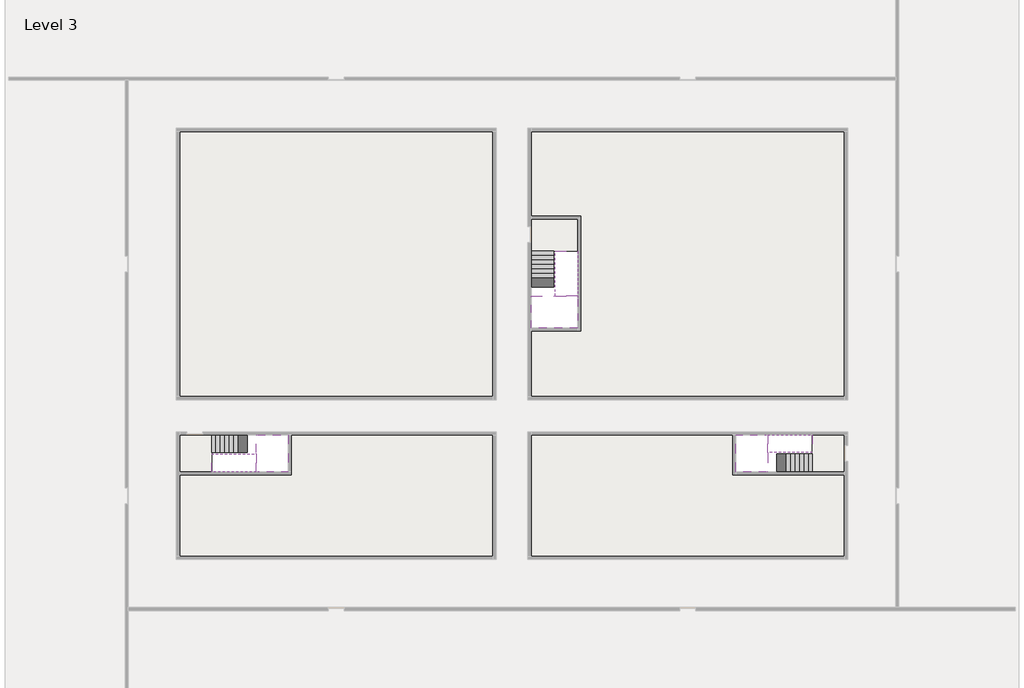
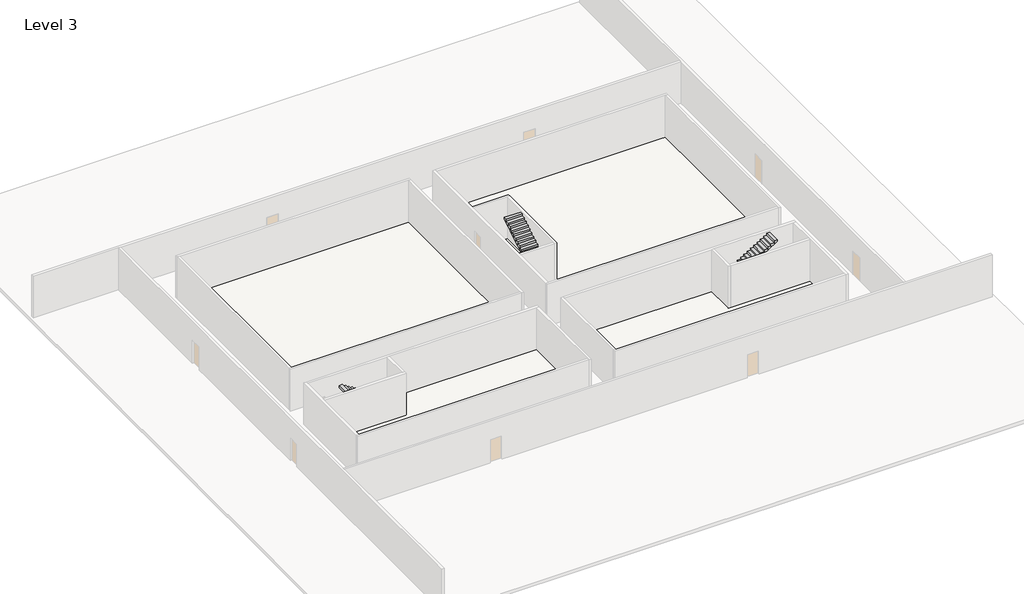
# One storey, part 2 of 2: 6 stair flights, 5 slabs.
"""IFC4 building model written with IfcOpenShell, lengths in millimetres."""

import ifcopenshell
import ifcopenshell.guid

model = None  # the IFC model being written
_history = None  # IfcOwnerHistory: only IFC2X3 demands one
_inside = {}  # id of a spatial element -> (the spatial element, [elements in it])
_under = {}  # id of a project, library or spatial element -> (it, [spatial elements below it])
_declared = {}  # id of a project -> (the project, [libraries it declares])
_typed = {}  # id of a type object -> (the type object, [elements of that type])
_made_of = {}  # id of a material, layer set ... -> (it, [elements and type objects made of it])


def new_model(schema):
    """Start an empty IFC model of exactly this schema.

    Asked for "IFC4X3", IfcOpenShell would pick the latest addendum, in which some entities
    have other attributes; the version numbers below select the first issue.
    IFC2X3 requires an IfcOwnerHistory on every rooted entity: one is made here for all.
    """
    global model, _history
    if schema == "IFC4X3":
        model = ifcopenshell.file(schema_version=(4, 3, 0, 0))
    else:
        model = ifcopenshell.file(schema=schema)
    _inside.clear()
    _under.clear()
    _declared.clear()
    _typed.clear()
    _made_of.clear()
    _history = None
    if model.schema == "IFC2X3":
        org = make("IfcOrganization", Name="unknown")
        user = make(
            "IfcPersonAndOrganization",
            ThePerson=make("IfcPerson", FamilyName="unknown"),
            TheOrganization=org,
        )
        app = make(
            "IfcApplication",
            ApplicationDeveloper=org,
            Version="unknown",
            ApplicationFullName="unknown",
            ApplicationIdentifier="unknown",
        )
        _history = make(
            "IfcOwnerHistory",
            OwningUser=user,
            OwningApplication=app,
            ChangeAction="ADDED",
            CreationDate=0,
        )
    return model


def make(cls, **values):
    """One entity of the class cls with the attributes given. An attribute that is None is left unset."""
    return model.create_entity(
        cls, **{name: value for name, value in values.items() if value is not None}
    )


def rooted(cls, **values):
    """An entity with a GlobalId (a new one), such as an element, a storey or a relation."""
    return make(cls, GlobalId=ifcopenshell.guid.new(), OwnerHistory=_history, **values)


def si_unit(unit_type, name, prefix=None):
    """IfcSIUnit, for example si_unit("LENGTHUNIT", "METRE", prefix="MILLI")."""
    return make("IfcSIUnit", UnitType=unit_type, Prefix=prefix, Name=name)


def assignment(units):
    """IfcUnitAssignment: the units of a project."""
    return None if units is None else make("IfcUnitAssignment", Units=units)


def point(xyz):
    """IfcCartesianPoint."""
    return None if xyz is None else make("IfcCartesianPoint", Coordinates=xyz)


def direction(xyz):
    """IfcDirection."""
    return None if xyz is None else make("IfcDirection", DirectionRatios=xyz)


def frame(location, z_axis=None, x_axis=None):
    """IfcAxis2Placement3D, a coordinate frame: its origin and axes. An axis left out is left unset."""
    return make(
        "IfcAxis2Placement3D",
        Location=point(location),
        Axis=direction(z_axis),
        RefDirection=direction(x_axis),
    )


def origin():
    """The frame at (0, 0, 0) with its axes left unset."""
    return frame((0.0, 0.0, 0.0))


def place(relative_to, where):
    """IfcLocalPlacement: puts the frame where relative to a parent placement (None: the world)."""
    return make(
        "IfcLocalPlacement", PlacementRelTo=relative_to, RelativePlacement=where
    )


def context(
    kind, dimensions, precision=None, world=None, true_north=None, identifier=None
):
    """IfcGeometricRepresentationContext, for example the 3D "Model" context."""
    return make(
        "IfcGeometricRepresentationContext",
        ContextIdentifier=identifier,
        ContextType=kind,
        CoordinateSpaceDimension=dimensions,
        Precision=precision,
        WorldCoordinateSystem=world,
        TrueNorth=true_north,
    )


def project(units=None, contexts=None):
    """IfcProject with its units and contexts."""
    return rooted(
        "IfcProject",
        Name="project",
        RepresentationContexts=contexts,
        UnitsInContext=assignment(units),
    )


def spatial(cls, under=None, at=None, **own):
    """A site, building, storey or space (cls), placed at a placement, below another one or the project."""
    s = rooted(cls, ObjectPlacement=at, **own)
    if under is not None:
        _under.setdefault(under.id(), (under, []))[1].append(s)
    return s


def polyline(points):
    """IfcPolyline through the points."""
    return make("IfcPolyline", Points=[point(p) for p in points])


def outline(outer, holes=None, kind="AREA"):
    """IfcArbitraryClosedProfileDef: a profile drawn as a closed curve; with holes, ...WithVoids."""
    if holes is None:
        return make("IfcArbitraryClosedProfileDef", ProfileType=kind, OuterCurve=outer)
    return make(
        "IfcArbitraryProfileDefWithVoids",
        ProfileType=kind,
        OuterCurve=outer,
        InnerCurves=holes,
    )


def extrude(swept, where, along, depth):
    """IfcExtrudedAreaSolid: the profile swept, set in the frame where, extruded along a direction by depth."""
    return make(
        "IfcExtrudedAreaSolid",
        SweptArea=swept,
        Position=where,
        ExtrudedDirection=direction(along),
        Depth=depth,
    )


def faces_of(points, faces, orient=None, outer=None):
    """IfcFace entities. A face is a list of loops; a loop is a list of indices into points, from 0.

    orient and outer hold one flag for each loop. By default every Orientation is true, the
    first loop of a face is its IfcFaceOuterBound and the others are IfcFaceBound.
    """
    made = []
    for i, loops in enumerate(faces):
        bounds = []
        for j, loop in enumerate(loops):
            is_outer = j == 0 if outer is None else outer[i][j]
            bounds.append(
                make(
                    "IfcFaceOuterBound" if is_outer else "IfcFaceBound",
                    Bound=make("IfcPolyLoop", Polygon=[points[k] for k in loop]),
                    Orientation=True if orient is None else orient[i][j],
                )
            )
        made.append(make("IfcFace", Bounds=bounds))
    return made


def faceted_brep(points, faces, orient=None, outer=None, voids=None):
    """IfcFacetedBrep: a solid bounded by flat faces; with voids (closed shells), ...WithVoids."""
    shared = [point(p) for p in points]
    hull = make("IfcClosedShell", CfsFaces=faces_of(shared, faces, orient, outer))
    if voids is None:
        return make("IfcFacetedBrep", Outer=hull)
    return make(
        "IfcFacetedBrepWithVoids",
        Outer=hull,
        Voids=[
            make(cls, CfsFaces=faces_of(shared, fs, o, b)) for cls, fs, o, b in voids
        ],
    )


def shape(context_of_items, identifier, shape_type, items):
    """IfcShapeRepresentation: the items that make up one representation, for example the "Body"."""
    return make(
        "IfcShapeRepresentation",
        ContextOfItems=context_of_items,
        RepresentationIdentifier=identifier,
        RepresentationType=shape_type,
        Items=items,
    )


def made_of(thing, what):
    """Note that an element or type object is made of a material, layer set ...; save() writes the relation."""
    if what is not None:
        _made_of.setdefault(what.id(), (what, []))[1].append(thing)
    return thing


def element(
    cls,
    number,
    at=None,
    inside=None,
    cuts=None,
    type_object=None,
    material=None,
    context=None,
    identifier="Body",
    shape_type=None,
    held_by="IfcProductDefinitionShape",
    body=None,
    shapes=None,
    **own,
):
    """One element of the class cls, such as IfcWall. Its Tag is "e" and its number.

    at: its placement. inside: the storey or other place that contains it. cuts: it is an
    opening in that element (IfcRelVoidsElement). A single representation is given by context,
    identifier, shape_type and body (its items); several are given by shapes. held_by: the class
    of the entity that holds the representations. save() writes the other relations.
    """
    e = rooted(cls, Tag="e%d" % number, ObjectPlacement=at, **own)
    if body is not None:
        shapes = [shape(context, identifier, shape_type, body)]
    if shapes is not None:
        e.Representation = make(held_by, Representations=shapes)
    if inside is not None:
        _inside.setdefault(inside.id(), (inside, []))[1].append(e)
    if cuts is not None:
        rooted(
            "IfcRelVoidsElement", RelatingBuildingElement=cuts, RelatedOpeningElement=e
        )
    if type_object is not None:
        _typed.setdefault(type_object.id(), (type_object, []))[1].append(e)
    return made_of(e, material)


def aggregate(whole, parts):
    """IfcRelAggregates: a whole, such as a stair, and the parts it consists of."""
    return rooted("IfcRelAggregates", RelatingObject=whole, RelatedObjects=parts)


def save(model, path):
    """Write the relations noted so far, then the file.

    IfcRelAggregates (storeys below a building ...), IfcRelContainedInSpatialStructure (elements
    in a storey), IfcRelDefinesByType, IfcRelAssociatesMaterial and IfcRelDeclares: one each for
    every whole, place, type object, material and project.
    """
    for whole, parts in _under.values():
        aggregate(whole, parts)
    for where, things in _inside.values():
        rooted(
            "IfcRelContainedInSpatialStructure",
            RelatedElements=things,
            RelatingStructure=where,
        )
    for kind, things in _typed.values():
        rooted("IfcRelDefinesByType", RelatedObjects=things, RelatingType=kind)
    for what, things in _made_of.values():
        rooted("IfcRelAssociatesMaterial", RelatedObjects=things, RelatingMaterial=what)
    for by, libraries in _declared.values():
        rooted("IfcRelDeclares", RelatingContext=by, RelatedDefinitions=libraries)
    model.write(path)


model = new_model("IFC4")

# Units and contexts
model_context = context("Model", 3, world=origin())
ifc_project = project(units=[si_unit("LENGTHUNIT", "METRE", prefix="MILLI")], contexts=[model_context])

# Site, building, storey
site = spatial("IfcSite", under=ifc_project)
building = spatial("IfcBuilding", under=site)
storey = spatial("IfcBuildingStorey", under=building, Name="Level 3", Elevation=7600.0)

# Slabs
placement = place(None, origin())
element("IfcSlab", 1, at=placement, inside=storey, context=model_context, shape_type="Brep", body=[
    faceted_brep([(8190.1058784, -42918.09644, 9500.0), (8190.1058784, -44018.09644, 9500.0), (8190.1058784, -44118.09644, 9500.0), (8190.1058784, -45218.09644, 9500.0), (8390.7194421, -45218.09644, 9500.0), (10190.1058784, -45218.09644, 9500.0), (10190.1058784, -42918.09644, 9500.0), (8269.4923146, -42918.09644, 9500.0), (8190.1058784, -42918.09644, 9327.2727273), (8190.1058784, -42918.09644, 9151.0278478), (8190.1058784, -44018.09644, 9151.0278478), (8190.1058784, -44018.09644, 9200.0), (8190.1058784, -44118.09644, 9200.0), (8190.1058784, -44118.09644, 9323.7551205), (8190.1058784, -45218.09644, 9323.7551205), (8390.7194421, -45218.09644, 9200.0), (10190.1058784, -45218.09644, 9200.0), (10190.1058784, -42918.09644, 9200.0), (8269.4923146, -42918.09644, 9200.0), (8390.7194421, -44118.09644, 9200.0), (8269.4923146, -44018.09644, 9200.0)], [[[0, 1, 2, 3, 4, 5, 6, 7]], [[1, 0, 8, 9, 10, 11]], [[2, 1, 11, 12, 13]], [[3, 2, 13, 14]], [[3, 14, 15, 16, 5, 4]], [[6, 5, 16, 17]], [[9, 8, 0, 7, 6, 17, 18]], [[19, 12, 11, 20, 18, 17, 16, 15]], [[12, 19, 13]], [[18, 20, 10, 9]], [[20, 11, 10]], [[19, 15, 14, 13]]]),
])
element("IfcSlab", 2, at=placement, inside=storey, context=model_context, shape_type="Brep", body=[
    faceted_brep([(40190.1058784, -45218.09644, 9500.0), (40190.1058784, -44118.09644, 9500.0), (40190.1058784, -44018.09644, 9500.0), (40190.1058784, -42918.09644, 9500.0), (39989.4923146, -42918.09644, 9500.0), (38190.1058784, -42918.09644, 9500.0), (38190.1058784, -45218.09644, 9500.0), (40110.7194421, -45218.09644, 9500.0), (40190.1058784, -45218.09644, 9327.2727273), (40190.1058784, -45218.09644, 9151.0278478), (40190.1058784, -44118.09644, 9151.0278478), (40190.1058784, -44118.09644, 9200.0), (40190.1058784, -44018.09644, 9200.0), (40190.1058784, -44018.09644, 9323.7551205), (40190.1058784, -42918.09644, 9323.7551205), (39989.4923146, -42918.09644, 9200.0), (38190.1058784, -42918.09644, 9200.0), (38190.1058784, -45218.09644, 9200.0), (40110.7194421, -45218.09644, 9200.0), (39989.4923146, -44018.09644, 9200.0), (40110.7194421, -44118.09644, 9200.0)], [[[0, 1, 2, 3, 4, 5, 6, 7]], [[1, 0, 8, 9, 10, 11]], [[2, 1, 11, 12, 13]], [[3, 2, 13, 14]], [[3, 14, 15, 16, 5, 4]], [[6, 5, 16, 17]], [[9, 8, 0, 7, 6, 17, 18]], [[19, 12, 11, 20, 18, 17, 16, 15]], [[12, 19, 13]], [[18, 20, 10, 9]], [[20, 11, 10]], [[19, 15, 14, 13]]]),
])
element("IfcSlab", 3, at=placement, inside=storey, context=model_context, shape_type="Brep", body=[
    faceted_brep([(26790.1058784, -34218.09644, 9500.0), (25390.1058784, -34218.09644, 9500.0), (25390.1058784, -34297.4828763, 9500.0), (25390.1058784, -36218.09644, 9500.0), (28290.1058784, -36218.09644, 9500.0), (28290.1058784, -34418.7100038, 9500.0), (28290.1058784, -34218.09644, 9500.0), (26890.1058784, -34218.09644, 9500.0), (26790.1058784, -34218.09644, 9200.0), (26790.1058784, -34218.09644, 9151.0278478), (25390.1058784, -34218.09644, 9151.0278478), (25390.1058784, -34218.09644, 9327.2727273), (25390.1058784, -34297.4828763, 9200.0), (25390.1058784, -36218.09644, 9200.0), (28290.1058784, -36218.09644, 9200.0), (28290.1058784, -34418.7100038, 9200.0), (28290.1058784, -34218.09644, 9323.7551205), (26890.1058784, -34218.09644, 9323.7551205), (26890.1058784, -34218.09644, 9200.0), (26890.1058784, -34418.7100038, 9200.0), (26790.1058784, -34297.4828763, 9200.0)], [[[0, 1, 2, 3, 4, 5, 6, 7]], [[1, 0, 8, 9, 10, 11]], [[1, 11, 10, 12, 13, 3, 2]], [[4, 3, 13, 14]], [[4, 14, 15, 16, 6, 5]], [[7, 6, 16, 17]], [[0, 7, 17, 18, 8]], [[18, 19, 15, 14, 13, 12, 20, 8]], [[19, 18, 17]], [[20, 12, 10, 9]], [[8, 20, 9]], [[15, 19, 17, 16]]]),
])
element("IfcSlab", 4, at=placement, inside=storey, context=model_context, shape_type="SweptSolid", body=[
    extrude(outline(polyline([(22990.1058784, -23918.09644), (22990.1058784, -40518.09644), (3390.1058784, -40518.09644), (3390.1058784, -23918.09644), (22990.1058784, -23918.09644)])), frame((0.0, 0.0, 7300.0), z_axis=(0.0, 0.0, 1.0), x_axis=(1.0, 0.0, 0.0)), (0.0, 0.0, 1.0), 300.0),
    extrude(outline(polyline([(44990.1058784, -23918.09644), (44990.1058784, -40518.09644), (25390.1058784, -40518.09644), (25390.1058784, -36418.09644), (28490.1058784, -36418.09644), (28490.1058784, -29218.09644), (25390.1058784, -29218.09644), (25390.1058784, -23918.09644), (44990.1058784, -23918.09644)])), frame((0.0, 0.0, 7300.0), z_axis=(0.0, 0.0, 1.0), x_axis=(1.0, 0.0, 0.0)), (0.0, 0.0, 1.0), 300.0),
    extrude(outline(polyline([(22990.1058784, -42918.09644), (22990.1058784, -50518.09644), (3390.1058784, -50518.09644), (3390.1058784, -45418.09644), (10390.1058784, -45418.09644), (10390.1058784, -42918.09644), (22990.1058784, -42918.09644)])), frame((0.0, 0.0, 7300.0), z_axis=(0.0, 0.0, 1.0), x_axis=(1.0, 0.0, 0.0)), (0.0, 0.0, 1.0), 300.0),
    extrude(outline(polyline([(37990.1058784, -42918.09644), (37990.1058784, -45418.09644), (44990.1058784, -45418.09644), (44990.1058784, -50518.09644), (25390.1058784, -50518.09644), (25390.1058784, -42918.09644), (37990.1058784, -42918.09644)])), frame((0.0, 0.0, 7300.0), z_axis=(0.0, 0.0, 1.0), x_axis=(1.0, 0.0, 0.0)), (0.0, 0.0, 1.0), 300.0),
])
element("IfcSlab", 5, at=placement, inside=storey, context=model_context, shape_type="SweptSolid", body=[
    extrude(outline(polyline([(44990.1058784, -42918.09644), (44990.1058784, -45218.09644), (42990.1058784, -45218.09644), (42990.1058784, -42918.09644), (44990.1058784, -42918.09644)])), frame((0.0, 0.0, 7300.0), z_axis=(0.0, 0.0, 1.0), x_axis=(1.0, 0.0, 0.0)), (0.0, 0.0, 1.0), 300.0),
    extrude(outline(polyline([(5390.1058784, -42918.09644), (5390.1058784, -45218.09644), (3390.1058784, -45218.09644), (3390.1058784, -42918.09644), (5390.1058784, -42918.09644)])), frame((0.0, 0.0, 7300.0), z_axis=(0.0, 0.0, 1.0), x_axis=(1.0, 0.0, 0.0)), (0.0, 0.0, 1.0), 300.0),
    extrude(outline(polyline([(28290.1058784, -29418.09644), (28290.1058784, -31418.09644), (25390.1058784, -31418.09644), (25390.1058784, -29418.09644), (28290.1058784, -29418.09644)])), frame((0.0, 0.0, 7300.0), z_axis=(0.0, 0.0, 1.0), x_axis=(1.0, 0.0, 0.0)), (0.0, 0.0, 1.0), 300.0),
])

# Stair flights
element("IfcStairFlight", 6, at=placement, inside=storey, context=model_context, shape_type="Brep", body=[
    faceted_brep([(5670.1058784, -42918.09644, 7772.7272727), (5390.1058784, -42918.09644, 7772.7272727), (5390.1058784, -44018.09644, 7772.7272727), (5670.1058784, -44018.09644, 7772.7272727), (5670.1058784, -42918.09644, 7600.0), (5390.1058784, -42918.09644, 7600.0), (5390.1058784, -44018.09644, 7600.0), (5670.1058784, -44018.09644, 7600.0), (5950.1058784, -42918.09644, 7945.4545455), (5670.1058784, -42918.09644, 7945.4545455), (5670.1058784, -44018.09644, 7945.4545455), (5950.1058784, -44018.09644, 7945.4545455), (5950.1058784, -42918.09644, 7769.209666), (5675.8081041, -42918.09644, 7600.0), (5675.8081041, -44018.09644, 7600.0), (5950.1058784, -44018.09644, 7769.209666), (6230.1058784, -42918.09644, 8118.1818182), (5950.1058784, -42918.09644, 8118.1818182), (5950.1058784, -44018.09644, 8118.1818182), (6230.1058784, -44018.09644, 8118.1818182), (6230.1058784, -42918.09644, 7941.9369387), (6230.1058784, -44018.09644, 7941.9369387), (6510.1058784, -42918.09644, 8290.9090909), (6230.1058784, -42918.09644, 8290.9090909), (6230.1058784, -44018.09644, 8290.9090909), (6510.1058784, -44018.09644, 8290.9090909), (6510.1058784, -42918.09644, 8114.6642114), (6510.1058784, -44018.09644, 8114.6642114), (6790.1058784, -42918.09644, 8463.6363636), (6510.1058784, -42918.09644, 8463.6363636), (6510.1058784, -44018.09644, 8463.6363636), (6790.1058784, -44018.09644, 8463.6363636), (6790.1058784, -42918.09644, 8287.3914841), (6790.1058784, -44018.09644, 8287.3914841), (7070.1058784, -42918.09644, 8636.3636364), (6790.1058784, -42918.09644, 8636.3636364), (6790.1058784, -44018.09644, 8636.3636364), (7070.1058784, -44018.09644, 8636.3636364), (7070.1058784, -42918.09644, 8460.1187569), (7070.1058784, -44018.09644, 8460.1187569), (7350.1058784, -42918.09644, 8809.0909091), (7070.1058784, -42918.09644, 8809.0909091), (7070.1058784, -44018.09644, 8809.0909091), (7350.1058784, -44018.09644, 8809.0909091), (7350.1058784, -42918.09644, 8632.8460296), (7350.1058784, -44018.09644, 8632.8460296), (7630.1058784, -42918.09644, 8981.8181818), (7350.1058784, -42918.09644, 8981.8181818), (7350.1058784, -44018.09644, 8981.8181818), (7630.1058784, -44018.09644, 8981.8181818), (7630.1058784, -42918.09644, 8805.5733023), (7630.1058784, -44018.09644, 8805.5733023), (7910.1058784, -42918.09644, 9154.5454545), (7630.1058784, -42918.09644, 9154.5454545), (7630.1058784, -44018.09644, 9154.5454545), (7910.1058784, -44018.09644, 9154.5454545), (7910.1058784, -42918.09644, 8978.3005751), (7910.1058784, -44018.09644, 8978.3005751), (8190.1058784, -42918.09644, 9327.2727273), (7910.1058784, -42918.09644, 9327.2727273), (7910.1058784, -44018.09644, 9327.2727273), (8190.1058784, -44018.09644, 9327.2727273), (8190.1058784, -42918.09644, 9151.0278478), (8190.1058784, -44018.09644, 9151.0278478), (8190.1058784, -44018.09644, 9200.0)], [[[0, 1, 2, 3]], [[1, 0, 4, 5]], [[2, 1, 5, 6]], [[3, 2, 6, 7]], [[8, 9, 10, 11]], [[4, 0, 9, 8, 12, 13]], [[0, 3, 10, 9]], [[3, 7, 14, 15, 11, 10]], [[16, 17, 18, 19]], [[17, 16, 20, 12, 8]], [[8, 11, 18, 17]], [[19, 18, 11, 15, 21]], [[22, 23, 24, 25]], [[23, 22, 26, 20, 16]], [[16, 19, 24, 23]], [[25, 24, 19, 21, 27]], [[28, 29, 30, 31]], [[29, 28, 32, 26, 22]], [[22, 25, 30, 29]], [[31, 30, 25, 27, 33]], [[34, 35, 36, 37]], [[35, 34, 38, 32, 28]], [[28, 31, 36, 35]], [[37, 36, 31, 33, 39]], [[40, 41, 42, 43]], [[41, 40, 44, 38, 34]], [[34, 37, 42, 41]], [[43, 42, 37, 39, 45]], [[46, 47, 48, 49]], [[47, 46, 50, 44, 40]], [[40, 43, 48, 47]], [[49, 48, 43, 45, 51]], [[52, 53, 54, 55]], [[53, 52, 56, 50, 46]], [[46, 49, 54, 53]], [[55, 54, 49, 51, 57]], [[58, 59, 60, 61]], [[59, 58, 62, 56, 52]], [[52, 55, 60, 59]], [[61, 60, 55, 57, 63, 64]], [[58, 61, 64, 63, 62]], [[5, 4, 13, 14, 7, 6]], [[14, 13, 12, 20, 26, 32, 38, 44, 50, 56, 62, 63, 57, 51, 45, 39, 33, 27, 21, 15]]]),
])
element("IfcStairFlight", 7, at=placement, inside=storey, context=model_context, shape_type="Brep", body=[
    faceted_brep([(7910.1058784, -45218.09644, 9672.7272727), (8190.1058784, -45218.09644, 9672.7272727), (8190.1058784, -44118.09644, 9672.7272727), (7910.1058784, -44118.09644, 9672.7272727), (7910.1058784, -45218.09644, 9496.4823932), (8190.1058784, -45218.09644, 9323.7551205), (8190.1058784, -45218.09644, 9500.0), (8190.1058784, -44118.09644, 9323.7551205), (7910.1058784, -44118.09644, 9496.4823932), (7630.1058784, -45218.09644, 9845.4545455), (7910.1058784, -45218.09644, 9845.4545455), (7910.1058784, -44118.09644, 9845.4545455), (7630.1058784, -44118.09644, 9845.4545455), (7630.1058784, -45218.09644, 9669.209666), (7630.1058784, -44118.09644, 9669.209666), (7350.1058784, -45218.09644, 10018.1818182), (7630.1058784, -45218.09644, 10018.1818182), (7630.1058784, -44118.09644, 10018.1818182), (7350.1058784, -44118.09644, 10018.1818182), (7350.1058784, -45218.09644, 9841.9369387), (7350.1058784, -44118.09644, 9841.9369387), (7070.1058784, -45218.09644, 10190.9090909), (7350.1058784, -45218.09644, 10190.9090909), (7350.1058784, -44118.09644, 10190.9090909), (7070.1058784, -44118.09644, 10190.9090909), (7070.1058784, -45218.09644, 10014.6642114), (7070.1058784, -44118.09644, 10014.6642114), (6790.1058784, -45218.09644, 10363.6363636), (7070.1058784, -45218.09644, 10363.6363636), (7070.1058784, -44118.09644, 10363.6363636), (6790.1058784, -44118.09644, 10363.6363636), (6790.1058784, -45218.09644, 10187.3914841), (6790.1058784, -44118.09644, 10187.3914841), (6510.1058784, -45218.09644, 10536.3636364), (6790.1058784, -45218.09644, 10536.3636364), (6790.1058784, -44118.09644, 10536.3636364), (6510.1058784, -44118.09644, 10536.3636364), (6510.1058784, -45218.09644, 10360.1187569), (6510.1058784, -44118.09644, 10360.1187569), (6230.1058784, -45218.09644, 10709.0909091), (6510.1058784, -45218.09644, 10709.0909091), (6510.1058784, -44118.09644, 10709.0909091), (6230.1058784, -44118.09644, 10709.0909091), (6230.1058784, -45218.09644, 10532.8460296), (6230.1058784, -44118.09644, 10532.8460296), (5950.1058784, -45218.09644, 10881.8181818), (6230.1058784, -45218.09644, 10881.8181818), (6230.1058784, -44118.09644, 10881.8181818), (5950.1058784, -44118.09644, 10881.8181818), (5950.1058784, -45218.09644, 10705.5733023), (5950.1058784, -44118.09644, 10705.5733023), (5670.1058784, -45218.09644, 11054.5454545), (5950.1058784, -45218.09644, 11054.5454545), (5950.1058784, -44118.09644, 11054.5454545), (5670.1058784, -44118.09644, 11054.5454545), (5670.1058784, -45218.09644, 10878.3005751), (5670.1058784, -44118.09644, 10878.3005751), (5390.1058784, -45218.09644, 11227.2727273), (5670.1058784, -45218.09644, 11227.2727273), (5670.1058784, -44118.09644, 11227.2727273), (5390.1058784, -44118.09644, 11227.2727273), (5390.1058784, -45218.09644, 11051.0278478), (5390.1058784, -44118.09644, 11051.0278478)], [[[0, 1, 2, 3]], [[1, 0, 4, 5, 6]], [[2, 1, 6, 5, 7]], [[3, 2, 7, 8]], [[9, 10, 11, 12]], [[10, 9, 13, 4, 0]], [[11, 10, 0, 3]], [[12, 11, 3, 8, 14]], [[15, 16, 17, 18]], [[16, 15, 19, 13, 9]], [[17, 16, 9, 12]], [[18, 17, 12, 14, 20]], [[21, 22, 23, 24]], [[22, 21, 25, 19, 15]], [[23, 22, 15, 18]], [[24, 23, 18, 20, 26]], [[27, 28, 29, 30]], [[28, 27, 31, 25, 21]], [[29, 28, 21, 24]], [[30, 29, 24, 26, 32]], [[33, 34, 35, 36]], [[34, 33, 37, 31, 27]], [[35, 34, 27, 30]], [[36, 35, 30, 32, 38]], [[39, 40, 41, 42]], [[40, 39, 43, 37, 33]], [[41, 40, 33, 36]], [[42, 41, 36, 38, 44]], [[45, 46, 47, 48]], [[46, 45, 49, 43, 39]], [[47, 46, 39, 42]], [[48, 47, 42, 44, 50]], [[51, 52, 53, 54]], [[52, 51, 55, 49, 45]], [[53, 52, 45, 48]], [[54, 53, 48, 50, 56]], [[57, 58, 59, 60]], [[58, 57, 61, 55, 51]], [[59, 58, 51, 54]], [[60, 59, 54, 56, 62]], [[57, 60, 62, 61]], [[5, 4, 13, 19, 25, 31, 37, 43, 49, 55, 61, 62, 56, 50, 44, 38, 32, 26, 20, 14, 8, 7]]]),
])
element("IfcStairFlight", 8, at=placement, inside=storey, context=model_context, shape_type="Brep", body=[
    faceted_brep([(42710.1058784, -45218.09644, 7772.7272727), (42990.1058784, -45218.09644, 7772.7272727), (42990.1058784, -44118.09644, 7772.7272727), (42710.1058784, -44118.09644, 7772.7272727), (42710.1058784, -45218.09644, 7600.0), (42990.1058784, -45218.09644, 7600.0), (42990.1058784, -44118.09644, 7600.0), (42710.1058784, -44118.09644, 7600.0), (42430.1058784, -45218.09644, 7945.4545455), (42710.1058784, -45218.09644, 7945.4545455), (42710.1058784, -44118.09644, 7945.4545455), (42430.1058784, -44118.09644, 7945.4545455), (42430.1058784, -45218.09644, 7769.209666), (42704.4036527, -45218.09644, 7600.0), (42704.4036527, -44118.09644, 7600.0), (42430.1058784, -44118.09644, 7769.209666), (42150.1058784, -45218.09644, 8118.1818182), (42430.1058784, -45218.09644, 8118.1818182), (42430.1058784, -44118.09644, 8118.1818182), (42150.1058784, -44118.09644, 8118.1818182), (42150.1058784, -45218.09644, 7941.9369387), (42150.1058784, -44118.09644, 7941.9369387), (41870.1058784, -45218.09644, 8290.9090909), (42150.1058784, -45218.09644, 8290.9090909), (42150.1058784, -44118.09644, 8290.9090909), (41870.1058784, -44118.09644, 8290.9090909), (41870.1058784, -45218.09644, 8114.6642114), (41870.1058784, -44118.09644, 8114.6642114), (41590.1058784, -45218.09644, 8463.6363636), (41870.1058784, -45218.09644, 8463.6363636), (41870.1058784, -44118.09644, 8463.6363636), (41590.1058784, -44118.09644, 8463.6363636), (41590.1058784, -45218.09644, 8287.3914841), (41590.1058784, -44118.09644, 8287.3914841), (41310.1058784, -45218.09644, 8636.3636364), (41590.1058784, -45218.09644, 8636.3636364), (41590.1058784, -44118.09644, 8636.3636364), (41310.1058784, -44118.09644, 8636.3636364), (41310.1058784, -45218.09644, 8460.1187569), (41310.1058784, -44118.09644, 8460.1187569), (41030.1058784, -45218.09644, 8809.0909091), (41310.1058784, -45218.09644, 8809.0909091), (41310.1058784, -44118.09644, 8809.0909091), (41030.1058784, -44118.09644, 8809.0909091), (41030.1058784, -45218.09644, 8632.8460296), (41030.1058784, -44118.09644, 8632.8460296), (40750.1058784, -45218.09644, 8981.8181818), (41030.1058784, -45218.09644, 8981.8181818), (41030.1058784, -44118.09644, 8981.8181818), (40750.1058784, -44118.09644, 8981.8181818), (40750.1058784, -45218.09644, 8805.5733023), (40750.1058784, -44118.09644, 8805.5733023), (40470.1058784, -45218.09644, 9154.5454545), (40750.1058784, -45218.09644, 9154.5454545), (40750.1058784, -44118.09644, 9154.5454545), (40470.1058784, -44118.09644, 9154.5454545), (40470.1058784, -45218.09644, 8978.3005751), (40470.1058784, -44118.09644, 8978.3005751), (40190.1058784, -45218.09644, 9327.2727273), (40470.1058784, -45218.09644, 9327.2727273), (40470.1058784, -44118.09644, 9327.2727273), (40190.1058784, -44118.09644, 9327.2727273), (40190.1058784, -45218.09644, 9151.0278478), (40190.1058784, -44118.09644, 9151.0278478), (40190.1058784, -44118.09644, 9200.0)], [[[0, 1, 2, 3]], [[1, 0, 4, 5]], [[2, 1, 5, 6]], [[3, 2, 6, 7]], [[8, 9, 10, 11]], [[4, 0, 9, 8, 12, 13]], [[0, 3, 10, 9]], [[3, 7, 14, 15, 11, 10]], [[16, 17, 18, 19]], [[17, 16, 20, 12, 8]], [[8, 11, 18, 17]], [[19, 18, 11, 15, 21]], [[22, 23, 24, 25]], [[23, 22, 26, 20, 16]], [[16, 19, 24, 23]], [[25, 24, 19, 21, 27]], [[28, 29, 30, 31]], [[29, 28, 32, 26, 22]], [[22, 25, 30, 29]], [[31, 30, 25, 27, 33]], [[34, 35, 36, 37]], [[35, 34, 38, 32, 28]], [[28, 31, 36, 35]], [[37, 36, 31, 33, 39]], [[40, 41, 42, 43]], [[41, 40, 44, 38, 34]], [[34, 37, 42, 41]], [[43, 42, 37, 39, 45]], [[46, 47, 48, 49]], [[47, 46, 50, 44, 40]], [[40, 43, 48, 47]], [[49, 48, 43, 45, 51]], [[52, 53, 54, 55]], [[53, 52, 56, 50, 46]], [[46, 49, 54, 53]], [[55, 54, 49, 51, 57]], [[58, 59, 60, 61]], [[59, 58, 62, 56, 52]], [[52, 55, 60, 59]], [[61, 60, 55, 57, 63, 64]], [[58, 61, 64, 63, 62]], [[5, 4, 13, 14, 7, 6]], [[14, 13, 12, 20, 26, 32, 38, 44, 50, 56, 62, 63, 57, 51, 45, 39, 33, 27, 21, 15]]]),
])
element("IfcStairFlight", 9, at=placement, inside=storey, context=model_context, shape_type="Brep", body=[
    faceted_brep([(40470.1058784, -42918.09644, 9672.7272727), (40190.1058784, -42918.09644, 9672.7272727), (40190.1058784, -44018.09644, 9672.7272727), (40470.1058784, -44018.09644, 9672.7272727), (40470.1058784, -42918.09644, 9496.4823932), (40190.1058784, -42918.09644, 9323.7551205), (40190.1058784, -42918.09644, 9500.0), (40190.1058784, -44018.09644, 9323.7551205), (40470.1058784, -44018.09644, 9496.4823932), (40750.1058784, -42918.09644, 9845.4545455), (40470.1058784, -42918.09644, 9845.4545455), (40470.1058784, -44018.09644, 9845.4545455), (40750.1058784, -44018.09644, 9845.4545455), (40750.1058784, -42918.09644, 9669.209666), (40750.1058784, -44018.09644, 9669.209666), (41030.1058784, -42918.09644, 10018.1818182), (40750.1058784, -42918.09644, 10018.1818182), (40750.1058784, -44018.09644, 10018.1818182), (41030.1058784, -44018.09644, 10018.1818182), (41030.1058784, -42918.09644, 9841.9369387), (41030.1058784, -44018.09644, 9841.9369387), (41310.1058784, -42918.09644, 10190.9090909), (41030.1058784, -42918.09644, 10190.9090909), (41030.1058784, -44018.09644, 10190.9090909), (41310.1058784, -44018.09644, 10190.9090909), (41310.1058784, -42918.09644, 10014.6642114), (41310.1058784, -44018.09644, 10014.6642114), (41590.1058784, -42918.09644, 10363.6363636), (41310.1058784, -42918.09644, 10363.6363636), (41310.1058784, -44018.09644, 10363.6363636), (41590.1058784, -44018.09644, 10363.6363636), (41590.1058784, -42918.09644, 10187.3914841), (41590.1058784, -44018.09644, 10187.3914841), (41870.1058784, -42918.09644, 10536.3636364), (41590.1058784, -42918.09644, 10536.3636364), (41590.1058784, -44018.09644, 10536.3636364), (41870.1058784, -44018.09644, 10536.3636364), (41870.1058784, -42918.09644, 10360.1187569), (41870.1058784, -44018.09644, 10360.1187569), (42150.1058784, -42918.09644, 10709.0909091), (41870.1058784, -42918.09644, 10709.0909091), (41870.1058784, -44018.09644, 10709.0909091), (42150.1058784, -44018.09644, 10709.0909091), (42150.1058784, -42918.09644, 10532.8460296), (42150.1058784, -44018.09644, 10532.8460296), (42430.1058784, -42918.09644, 10881.8181818), (42150.1058784, -42918.09644, 10881.8181818), (42150.1058784, -44018.09644, 10881.8181818), (42430.1058784, -44018.09644, 10881.8181818), (42430.1058784, -42918.09644, 10705.5733023), (42430.1058784, -44018.09644, 10705.5733023), (42710.1058784, -42918.09644, 11054.5454545), (42430.1058784, -42918.09644, 11054.5454545), (42430.1058784, -44018.09644, 11054.5454545), (42710.1058784, -44018.09644, 11054.5454545), (42710.1058784, -42918.09644, 10878.3005751), (42710.1058784, -44018.09644, 10878.3005751), (42990.1058784, -42918.09644, 11227.2727273), (42710.1058784, -42918.09644, 11227.2727273), (42710.1058784, -44018.09644, 11227.2727273), (42990.1058784, -44018.09644, 11227.2727273), (42990.1058784, -42918.09644, 11051.0278478), (42990.1058784, -44018.09644, 11051.0278478)], [[[0, 1, 2, 3]], [[1, 0, 4, 5, 6]], [[2, 1, 6, 5, 7]], [[3, 2, 7, 8]], [[9, 10, 11, 12]], [[10, 9, 13, 4, 0]], [[11, 10, 0, 3]], [[12, 11, 3, 8, 14]], [[15, 16, 17, 18]], [[16, 15, 19, 13, 9]], [[17, 16, 9, 12]], [[18, 17, 12, 14, 20]], [[21, 22, 23, 24]], [[22, 21, 25, 19, 15]], [[23, 22, 15, 18]], [[24, 23, 18, 20, 26]], [[27, 28, 29, 30]], [[28, 27, 31, 25, 21]], [[29, 28, 21, 24]], [[30, 29, 24, 26, 32]], [[33, 34, 35, 36]], [[34, 33, 37, 31, 27]], [[35, 34, 27, 30]], [[36, 35, 30, 32, 38]], [[39, 40, 41, 42]], [[40, 39, 43, 37, 33]], [[41, 40, 33, 36]], [[42, 41, 36, 38, 44]], [[45, 46, 47, 48]], [[46, 45, 49, 43, 39]], [[47, 46, 39, 42]], [[48, 47, 42, 44, 50]], [[51, 52, 53, 54]], [[52, 51, 55, 49, 45]], [[53, 52, 45, 48]], [[54, 53, 48, 50, 56]], [[57, 58, 59, 60]], [[58, 57, 61, 55, 51]], [[59, 58, 51, 54]], [[60, 59, 54, 56, 62]], [[57, 60, 62, 61]], [[5, 4, 13, 19, 25, 31, 37, 43, 49, 55, 61, 62, 56, 50, 44, 38, 32, 26, 20, 14, 8, 7]]]),
])
element("IfcStairFlight", 10, at=placement, inside=storey, context=model_context, shape_type="Brep", body=[
    faceted_brep([(26790.1058784, -31698.09644, 7772.7272727), (26790.1058784, -31418.09644, 7772.7272727), (25390.1058784, -31418.09644, 7772.7272727), (25390.1058784, -31698.09644, 7772.7272727), (26790.1058784, -31698.09644, 7600.0), (26790.1058784, -31418.09644, 7600.0), (25390.1058784, -31418.09644, 7600.0), (25390.1058784, -31698.09644, 7600.0), (26790.1058784, -31978.09644, 7945.4545455), (26790.1058784, -31698.09644, 7945.4545455), (25390.1058784, -31698.09644, 7945.4545455), (25390.1058784, -31978.09644, 7945.4545455), (26790.1058784, -31978.09644, 7769.209666), (26790.1058784, -31703.7986657, 7600.0), (25390.1058784, -31703.7986657, 7600.0), (25390.1058784, -31978.09644, 7769.209666), (26790.1058784, -32258.09644, 8118.1818182), (26790.1058784, -31978.09644, 8118.1818182), (25390.1058784, -31978.09644, 8118.1818182), (25390.1058784, -32258.09644, 8118.1818182), (26790.1058784, -32258.09644, 7941.9369387), (25390.1058784, -32258.09644, 7941.9369387), (26790.1058784, -32538.09644, 8290.9090909), (26790.1058784, -32258.09644, 8290.9090909), (25390.1058784, -32258.09644, 8290.9090909), (25390.1058784, -32538.09644, 8290.9090909), (26790.1058784, -32538.09644, 8114.6642114), (25390.1058784, -32538.09644, 8114.6642114), (26790.1058784, -32818.09644, 8463.6363636), (26790.1058784, -32538.09644, 8463.6363636), (25390.1058784, -32538.09644, 8463.6363636), (25390.1058784, -32818.09644, 8463.6363636), (26790.1058784, -32818.09644, 8287.3914841), (25390.1058784, -32818.09644, 8287.3914841), (26790.1058784, -33098.09644, 8636.3636364), (26790.1058784, -32818.09644, 8636.3636364), (25390.1058784, -32818.09644, 8636.3636364), (25390.1058784, -33098.09644, 8636.3636364), (26790.1058784, -33098.09644, 8460.1187569), (25390.1058784, -33098.09644, 8460.1187569), (26790.1058784, -33378.09644, 8809.0909091), (26790.1058784, -33098.09644, 8809.0909091), (25390.1058784, -33098.09644, 8809.0909091), (25390.1058784, -33378.09644, 8809.0909091), (26790.1058784, -33378.09644, 8632.8460296), (25390.1058784, -33378.09644, 8632.8460296), (26790.1058784, -33658.09644, 8981.8181818), (26790.1058784, -33378.09644, 8981.8181818), (25390.1058784, -33378.09644, 8981.8181818), (25390.1058784, -33658.09644, 8981.8181818), (26790.1058784, -33658.09644, 8805.5733023), (25390.1058784, -33658.09644, 8805.5733023), (26790.1058784, -33938.09644, 9154.5454545), (26790.1058784, -33658.09644, 9154.5454545), (25390.1058784, -33658.09644, 9154.5454545), (25390.1058784, -33938.09644, 9154.5454545), (26790.1058784, -33938.09644, 8978.3005751), (25390.1058784, -33938.09644, 8978.3005751), (26790.1058784, -34218.09644, 9327.2727273), (26790.1058784, -33938.09644, 9327.2727273), (25390.1058784, -33938.09644, 9327.2727273), (25390.1058784, -34218.09644, 9327.2727273), (26790.1058784, -34218.09644, 9200.0), (26790.1058784, -34218.09644, 9151.0278478), (25390.1058784, -34218.09644, 9151.0278478)], [[[0, 1, 2, 3]], [[1, 0, 4, 5]], [[2, 1, 5, 6]], [[3, 2, 6, 7]], [[8, 9, 10, 11]], [[4, 0, 9, 8, 12, 13]], [[0, 3, 10, 9]], [[3, 7, 14, 15, 11, 10]], [[16, 17, 18, 19]], [[17, 16, 20, 12, 8]], [[8, 11, 18, 17]], [[19, 18, 11, 15, 21]], [[22, 23, 24, 25]], [[23, 22, 26, 20, 16]], [[16, 19, 24, 23]], [[25, 24, 19, 21, 27]], [[28, 29, 30, 31]], [[29, 28, 32, 26, 22]], [[22, 25, 30, 29]], [[31, 30, 25, 27, 33]], [[34, 35, 36, 37]], [[35, 34, 38, 32, 28]], [[28, 31, 36, 35]], [[37, 36, 31, 33, 39]], [[40, 41, 42, 43]], [[41, 40, 44, 38, 34]], [[34, 37, 42, 41]], [[43, 42, 37, 39, 45]], [[46, 47, 48, 49]], [[47, 46, 50, 44, 40]], [[40, 43, 48, 47]], [[49, 48, 43, 45, 51]], [[52, 53, 54, 55]], [[53, 52, 56, 50, 46]], [[46, 49, 54, 53]], [[55, 54, 49, 51, 57]], [[58, 59, 60, 61]], [[59, 58, 62, 63, 56, 52]], [[52, 55, 60, 59]], [[61, 60, 55, 57, 64]], [[58, 61, 64, 63, 62]], [[5, 4, 13, 14, 7, 6]], [[14, 13, 12, 20, 26, 32, 38, 44, 50, 56, 63, 64, 57, 51, 45, 39, 33, 27, 21, 15]]]),
])
element("IfcStairFlight", 11, at=placement, inside=storey, context=model_context, shape_type="Brep", body=[
    faceted_brep([(26890.1058784, -33938.09644, 9672.7272727), (26890.1058784, -34218.09644, 9672.7272727), (28290.1058784, -34218.09644, 9672.7272727), (28290.1058784, -33938.09644, 9672.7272727), (26890.1058784, -33938.09644, 9496.4823932), (26890.1058784, -34218.09644, 9323.7551205), (28290.1058784, -34218.09644, 9323.7551205), (28290.1058784, -34218.09644, 9500.0), (28290.1058784, -33938.09644, 9496.4823932), (26890.1058784, -33658.09644, 9845.4545455), (26890.1058784, -33938.09644, 9845.4545455), (28290.1058784, -33938.09644, 9845.4545455), (28290.1058784, -33658.09644, 9845.4545455), (26890.1058784, -33658.09644, 9669.209666), (28290.1058784, -33658.09644, 9669.209666), (26890.1058784, -33378.09644, 10018.1818182), (26890.1058784, -33658.09644, 10018.1818182), (28290.1058784, -33658.09644, 10018.1818182), (28290.1058784, -33378.09644, 10018.1818182), (26890.1058784, -33378.09644, 9841.9369387), (28290.1058784, -33378.09644, 9841.9369387), (26890.1058784, -33098.09644, 10190.9090909), (26890.1058784, -33378.09644, 10190.9090909), (28290.1058784, -33378.09644, 10190.9090909), (28290.1058784, -33098.09644, 10190.9090909), (26890.1058784, -33098.09644, 10014.6642114), (28290.1058784, -33098.09644, 10014.6642114), (26890.1058784, -32818.09644, 10363.6363636), (26890.1058784, -33098.09644, 10363.6363636), (28290.1058784, -33098.09644, 10363.6363636), (28290.1058784, -32818.09644, 10363.6363636), (26890.1058784, -32818.09644, 10187.3914841), (28290.1058784, -32818.09644, 10187.3914841), (26890.1058784, -32538.09644, 10536.3636364), (26890.1058784, -32818.09644, 10536.3636364), (28290.1058784, -32818.09644, 10536.3636364), (28290.1058784, -32538.09644, 10536.3636364), (26890.1058784, -32538.09644, 10360.1187569), (28290.1058784, -32538.09644, 10360.1187569), (26890.1058784, -32258.09644, 10709.0909091), (26890.1058784, -32538.09644, 10709.0909091), (28290.1058784, -32538.09644, 10709.0909091), (28290.1058784, -32258.09644, 10709.0909091), (26890.1058784, -32258.09644, 10532.8460296), (28290.1058784, -32258.09644, 10532.8460296), (26890.1058784, -31978.09644, 10881.8181818), (26890.1058784, -32258.09644, 10881.8181818), (28290.1058784, -32258.09644, 10881.8181818), (28290.1058784, -31978.09644, 10881.8181818), (26890.1058784, -31978.09644, 10705.5733023), (28290.1058784, -31978.09644, 10705.5733023), (26890.1058784, -31698.09644, 11054.5454545), (26890.1058784, -31978.09644, 11054.5454545), (28290.1058784, -31978.09644, 11054.5454545), (28290.1058784, -31698.09644, 11054.5454545), (26890.1058784, -31698.09644, 10878.3005751), (28290.1058784, -31698.09644, 10878.3005751), (26890.1058784, -31418.09644, 11227.2727273), (26890.1058784, -31698.09644, 11227.2727273), (28290.1058784, -31698.09644, 11227.2727273), (28290.1058784, -31418.09644, 11227.2727273), (26890.1058784, -31418.09644, 11051.0278478), (28290.1058784, -31418.09644, 11051.0278478)], [[[0, 1, 2, 3]], [[1, 0, 4, 5]], [[2, 1, 5, 6, 7]], [[3, 2, 7, 6, 8]], [[9, 10, 11, 12]], [[10, 9, 13, 4, 0]], [[11, 10, 0, 3]], [[12, 11, 3, 8, 14]], [[15, 16, 17, 18]], [[16, 15, 19, 13, 9]], [[17, 16, 9, 12]], [[18, 17, 12, 14, 20]], [[21, 22, 23, 24]], [[22, 21, 25, 19, 15]], [[23, 22, 15, 18]], [[24, 23, 18, 20, 26]], [[27, 28, 29, 30]], [[28, 27, 31, 25, 21]], [[29, 28, 21, 24]], [[30, 29, 24, 26, 32]], [[33, 34, 35, 36]], [[34, 33, 37, 31, 27]], [[35, 34, 27, 30]], [[36, 35, 30, 32, 38]], [[39, 40, 41, 42]], [[40, 39, 43, 37, 33]], [[41, 40, 33, 36]], [[42, 41, 36, 38, 44]], [[45, 46, 47, 48]], [[46, 45, 49, 43, 39]], [[47, 46, 39, 42]], [[48, 47, 42, 44, 50]], [[51, 52, 53, 54]], [[52, 51, 55, 49, 45]], [[53, 52, 45, 48]], [[54, 53, 48, 50, 56]], [[57, 58, 59, 60]], [[58, 57, 61, 55, 51]], [[59, 58, 51, 54]], [[60, 59, 54, 56, 62]], [[57, 60, 62, 61]], [[5, 4, 13, 19, 25, 31, 37, 43, 49, 55, 61, 62, 56, 50, 44, 38, 32, 26, 20, 14, 8, 6]]]),
])

save(model, "model.ifc")
